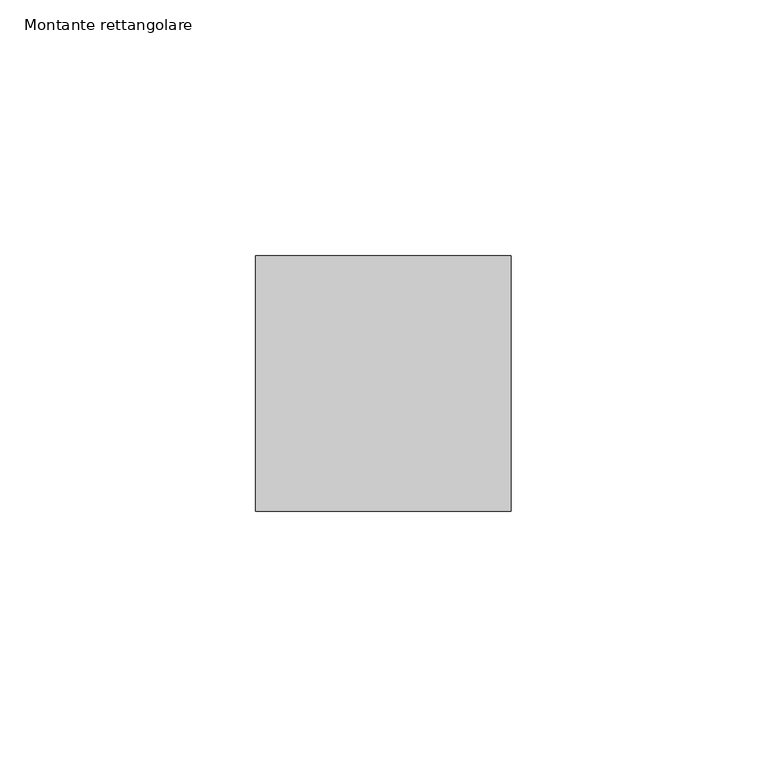
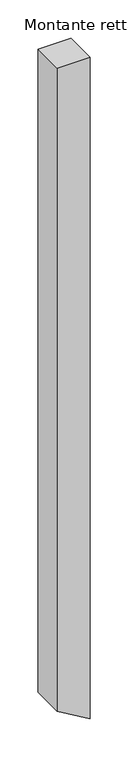
"""IFC4 building model written with IfcOpenShell, lengths in millimetres: member geometry, Montante rettangolare."""

from ifc_helpers import new_model, si_unit, frame, origin, place, context, project, spatial, polyline, outline, extrude, source, transform, mapped, element, save


def montante_rettangolare_7a31dd2b(model_context):
    return source(origin(), model_context, "Body", "SweptSolid", [
        extrude(outline(polyline([(0.0, 0.0), (0.0, -50.0), (-1028.6335032, -50.0), (-1058.3213307, 0.0), (0.0, 0.0)])), frame((0.0, -25.0, 0.0), z_axis=(0.0, 1.0, 0.0), x_axis=(0.0, 0.0, 1.0)), (0.0, 0.0, 1.0), 50.0),
    ])


if __name__ == "__main__":
    model = new_model("IFC4")
    model_context = context("Model", 3, world=origin())
    ifc_project = project(units=[si_unit("LENGTHUNIT", "METRE", prefix="MILLI")], contexts=[model_context])
    site = spatial("IfcSite", under=ifc_project)
    building = spatial("IfcBuilding", under=site)
    placement = place(None, origin())
    montante_rettangolare_shape = montante_rettangolare_7a31dd2b(model_context)
    element("IfcMember", 1, ObjectType="Montante rettangolare", at=placement, inside=building, context=model_context, shape_type="MappedRepresentation", body=[
        mapped(montante_rettangolare_shape, transform((0.0, 0.0, 0.0), x_axis=(1.0, 0.0, 0.0), y_axis=(0.0, 1.0, 0.0), z_axis=(0.0, 0.0, 1.0))),
    ])
    save(model, "model.ifc")
